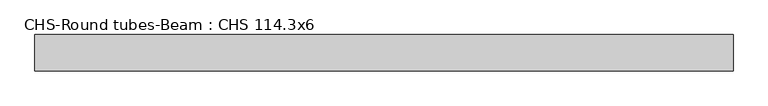
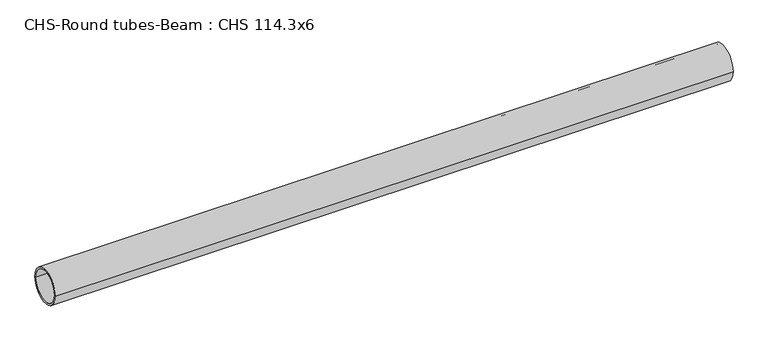
"""IFC4 building model written with IfcOpenShell, lengths in millimetres: beam geometry, CHS-Round tubes-Beam : CHS 114.3x6."""

from ifc_helpers import new_model, si_unit, point, frame, origin, origin_2d, place, context, project, spatial, circle_curve, trimmed, segment, composite_curve, outline, extrude, source, transform, mapped, element, save


def chs_round_tubes_beam_chs_114_3x6_dbfd017c(model_context):
    return source(origin(), model_context, "Body", "SweptSolid", [
        extrude(outline(composite_curve([segment(trimmed(circle_curve(origin_2d(), 57.15), [point((57.15, 0.0))], [point((-57.15, 0.0))], False, "CARTESIAN"), True, "CONTINUOUS"), segment(trimmed(circle_curve(origin_2d(), 57.15), [point((-57.15, 0.0))], [point((57.15, 0.0))], False, "CARTESIAN"), True, "CONTINUOUS")], self_intersect=False), holes=[composite_curve([segment(trimmed(circle_curve(origin_2d(), 51.15), [point((51.15, 0.0))], [point((-51.15, 0.0))], True, "CARTESIAN"), True, "CONTINUOUS"), segment(trimmed(circle_curve(origin_2d(), 51.15), [point((-51.15, 0.0))], [point((51.15, 0.0))], True, "CARTESIAN"), True, "CONTINUOUS")], self_intersect=False)]), frame((-1063.4605944, 0.0, 0.0), z_axis=(1.0, 0.0, 0.0), x_axis=(0.0, 1.0, 0.0)), (0.0, 0.0, 1.0), 2203.7960336),
    ])


if __name__ == "__main__":
    model = new_model("IFC4")
    model_context = context("Model", 3, world=origin())
    ifc_project = project(units=[si_unit("LENGTHUNIT", "METRE", prefix="MILLI")], contexts=[model_context])
    site = spatial("IfcSite", under=ifc_project)
    building = spatial("IfcBuilding", under=site)
    placement = place(None, origin())
    chs_round_tubes_beam_chs_114_3x6_shape = chs_round_tubes_beam_chs_114_3x6_dbfd017c(model_context)
    element("IfcBeam", 1, ObjectType="CHS-Round tubes-Beam : CHS 114.3x6", at=placement, inside=building, context=model_context, shape_type="MappedRepresentation", body=[
        mapped(chs_round_tubes_beam_chs_114_3x6_shape, transform((0.0, 0.0, 0.0), x_axis=(1.0, 0.0, 0.0), y_axis=(0.0, 1.0, 0.0), z_axis=(0.0, 0.0, 1.0))),
    ])
    save(model, "model.ifc")
